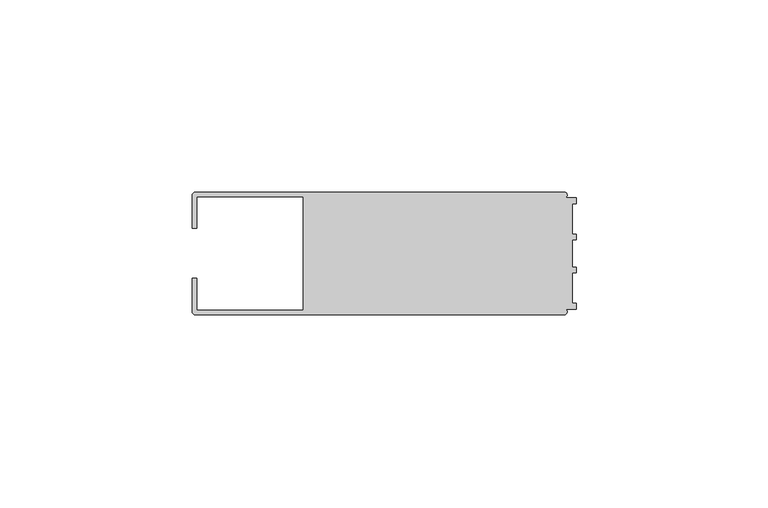
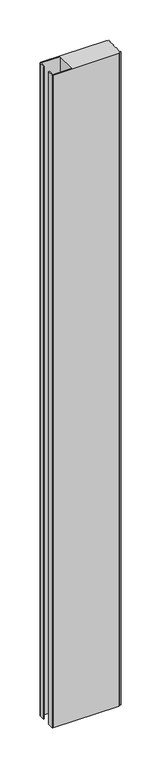
"""IFC4 building model written with IfcOpenShell, lengths in millimetres: member geometry."""

from ifc_helpers import new_model, si_unit, point, frame, frame_2d, origin, place, context, project, spatial, polyline, circle_curve, trimmed, segment, composite_curve, outline, extrude, source, transform, mapped, element, save


def member_ce8f38c1(model_context):
    return source(origin(), model_context, "Body", "SweptSolid", [
        extrude(outline(composite_curve([segment(polyline([(-100.0, 6.5), (-100.0, 14.998921)]), True, "CONTINUOUS"), segment(trimmed(circle_curve(frame_2d((-98.998921, 14.998921)), 1.001079), [point((-100.0, 14.998921))], [point((-98.998921, 16.0))], False, "CARTESIAN"), True, "CONTINUOUS"), segment(polyline([(-98.998921, 16.0), (-3.1385263, 16.0)]), True, "CONTINUOUS"), segment(trimmed(circle_curve(frame_2d((-3.1117577, 15.2001372)), 0.8003107), [point((-3.1385263, 16.0))], [point((-2.7260256, 14.4989182))], False, "CARTESIAN"), True, "CONTINUOUS"), segment(polyline([(-2.7260256, 14.4989182), (0.0, 14.4989182), (0.0, 12.9993664), (-0.999267, 12.9993664), (-0.999267, 5.0000405), (0.0, 5.0000405), (0.0, 3.5386284), (-0.999267, 3.5009282), (-0.999267, -3.5009282), (0.0, -3.5398992), (0.0, -5.0013113), (-0.999267, -5.0013113), (-0.999267, -13.0002136), (0.0, -13.0002136), (0.0, -14.5004469), (-2.7237818, -14.5004469)]), True, "CONTINUOUS"), segment(trimmed(circle_curve(frame_2d((-3.1117213, -15.2000428)), 0.7999572), [point((-2.7237818, -14.5004469))], [point((-3.1117213, -16.0))], False, "CARTESIAN"), True, "CONTINUOUS"), segment(polyline([(-3.1117213, -16.0), (-98.9988146, -16.0)]), True, "CONTINUOUS"), segment(trimmed(circle_curve(frame_2d((-98.9988146, -14.9988146)), 1.0011854), [point((-98.9988146, -16.0))], [point((-100.0, -14.9988146))], False, "CARTESIAN"), True, "CONTINUOUS"), segment(polyline([(-100.0, -14.9988146), (-100.0, -6.5002542), (-98.7495396, -6.5002542), (-98.7495396, -14.7490791), (-71.0, -14.7490791), (-71.0, 14.748825), (-98.7495396, 14.748825), (-98.7495396, 6.5), (-100.0, 6.5)]), True, "CONTINUOUS")], self_intersect=False)), frame((0.0, 0.0, -999.9999998), z_axis=(0.0, 0.0, 1.0), x_axis=(1.0, 0.0, 0.0)), (0.0, 0.0, 1.0), 999.9999998),
    ])


if __name__ == "__main__":
    model = new_model("IFC4")
    model_context = context("Model", 3, world=origin())
    ifc_project = project(units=[si_unit("LENGTHUNIT", "METRE", prefix="MILLI")], contexts=[model_context])
    site = spatial("IfcSite", under=ifc_project)
    building = spatial("IfcBuilding", under=site)
    placement = place(None, origin())
    member_shape = member_ce8f38c1(model_context)
    element("IfcMember", 1, at=placement, inside=building, context=model_context, shape_type="MappedRepresentation", body=[
        mapped(member_shape, transform((0.0, 0.0, 0.0), x_axis=(1.0, 0.0, 0.0), y_axis=(0.0, 1.0, 0.0), z_axis=(0.0, 0.0, 1.0))),
    ])
    save(model, "model.ifc")
